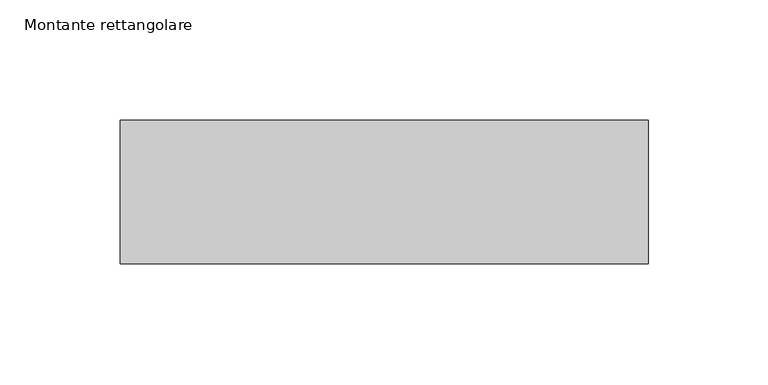
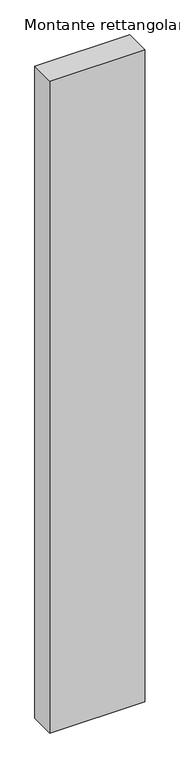
"""IFC4 building model written with IfcOpenShell, lengths in millimetres: member geometry, Montante rettangolare."""

from ifc_helpers import new_model, si_unit, frame, origin, place, context, project, spatial, polyline, outline, extrude, source, transform, mapped, element, save


def montante_rettangolare_533f8104(model_context):
    return source(origin(), model_context, "Body", "SweptSolid", [
        extrude(outline(polyline([(110.0, 30.0), (110.0, -30.0), (-110.0, -30.0), (-110.0, 30.0), (110.0, 30.0)])), frame((0.0, 0.0, -1600.0), z_axis=(0.0, 0.0, 1.0), x_axis=(1.0, 0.0, 0.0)), (0.0, 0.0, 1.0), 1600.0),
    ])


if __name__ == "__main__":
    model = new_model("IFC4")
    model_context = context("Model", 3, world=origin())
    ifc_project = project(units=[si_unit("LENGTHUNIT", "METRE", prefix="MILLI")], contexts=[model_context])
    site = spatial("IfcSite", under=ifc_project)
    building = spatial("IfcBuilding", under=site)
    placement = place(None, origin())
    montante_rettangolare_shape = montante_rettangolare_533f8104(model_context)
    element("IfcMember", 1, ObjectType="Montante rettangolare", at=placement, inside=building, context=model_context, shape_type="MappedRepresentation", body=[
        mapped(montante_rettangolare_shape, transform((0.0, 0.0, 0.0), x_axis=(1.0, 0.0, 0.0), y_axis=(0.0, 1.0, 0.0), z_axis=(0.0, 0.0, 1.0))),
    ])
    save(model, "model.ifc")
